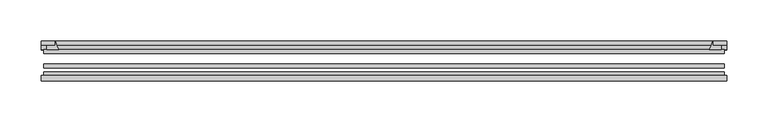
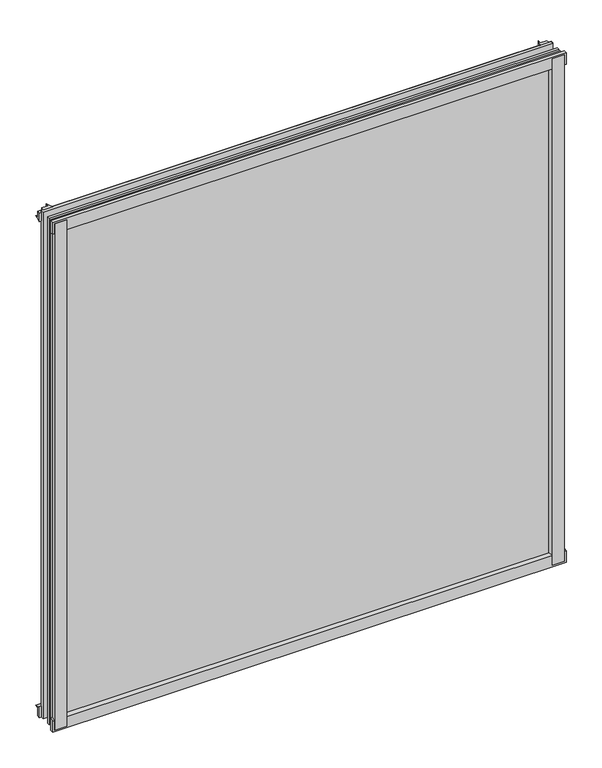
"""IFC4 building model written with IfcOpenShell, lengths in millimetres: plate geometry."""

from ifc_helpers import new_model, si_unit, point, frame, frame_2d, origin, place, context, project, spatial, polyline, circle_curve, trimmed, segment, composite_curve, outline, extrude, source, transform, mapped, element, save


def plate_66a7293b(model_context):
    return source(origin(), model_context, "Body", "SweptSolid", [
        extrude(outline(composite_curve([segment(polyline([(-414.3375, -78.7828625), (-392.9162987, -78.7828625)]), True, "CONTINUOUS"), segment(trimmed(circle_curve(frame_2d((-385.2791331, -84.652782)), 9.6323545), [point((-392.9162987, -78.7828625))], [point((-394.8995165, -85.1328625))], True, "CARTESIAN"), True, "CONTINUOUS"), segment(polyline([(-394.8995165, -85.1328625), (-414.3375, -85.1328625), (-414.3375, -78.7828625)]), True, "CONTINUOUS")], self_intersect=False)), frame((0.0, 0.0, -14.2875), z_axis=(0.0, 0.0, 1.0), x_axis=(1.0, 0.0, 0.0)), (0.0, 0.0, 1.0), 869.95),
        extrude(outline(composite_curve([segment(polyline([(414.3794065, -78.7828625), (414.3794065, -85.1328625), (394.8995165, -85.1328625)]), True, "CONTINUOUS"), segment(trimmed(circle_curve(frame_2d((385.2791331, -84.652782)), 9.6323545), [point((394.8995165, -85.1328625))], [point((392.9162987, -78.7828625))], True, "CARTESIAN"), True, "CONTINUOUS"), segment(polyline([(392.9162987, -78.7828625), (414.3794065, -78.7828625)]), True, "CONTINUOUS")], self_intersect=False)), frame((0.0, 0.0, -14.2875), z_axis=(0.0, 0.0, 1.0), x_axis=(1.0, 0.0, 0.0)), (0.0, 0.0, 1.0), 869.95),
        extrude(outline(composite_curve([segment(polyline([(-47.1852625, -14.2875), (-47.1852625, 3.9588469)]), True, "CONTINUOUS"), segment(trimmed(circle_curve(frame_2d((-30.6824422, 32.267054)), 32.7673262), [point((-47.1852625, 3.9588469))], [point((-36.3503395, -0.00635))], True, "CARTESIAN"), True, "CONTINUOUS"), segment(polyline([(-36.3503395, -0.00635), (-42.2830625, -0.00635), (-42.2830625, -14.2875), (-47.1852625, -14.2875)]), True, "CONTINUOUS")], self_intersect=False)), frame((-417.5125, 0.0, 0.0), z_axis=(1.0, 0.0, 0.0), x_axis=(0.0, 1.0, 0.0)), (0.0, 0.0, 1.0), 835.025),
        extrude(outline(composite_curve([segment(polyline([(-78.7828625, -16.8821065), (-85.1328625, -16.8821065), (-85.1328625, 2.5977835)]), True, "CONTINUOUS"), segment(trimmed(circle_curve(frame_2d((-84.652782, 12.2181669)), 9.6323545), [point((-85.1328625, 2.5977835))], [point((-78.7828625, 4.5810013))], True, "CARTESIAN"), True, "CONTINUOUS"), segment(polyline([(-78.7828625, 4.5810013), (-78.7828625, -16.8821065)]), True, "CONTINUOUS")], self_intersect=False)), frame((-417.5125, 0.0, 0.0), z_axis=(1.0, 0.0, 0.0), x_axis=(0.0, 1.0, 0.0)), (0.0, 0.0, 1.0), 835.025),
        extrude(outline(composite_curve([segment(polyline([(-47.1852625, 837.4034531), (-47.1852625, 852.0752564), (-42.2830625, 852.0752564), (-42.2830625, 841.375), (-36.3140625, 841.375)]), True, "CONTINUOUS"), segment(trimmed(circle_curve(frame_2d((-30.6824422, 809.095246)), 32.7673262), [point((-36.3140625, 841.375))], [point((-47.1852625, 837.4034531))], True, "CARTESIAN"), True, "CONTINUOUS")], self_intersect=False)), frame((-417.5125, 0.0, 0.0), z_axis=(1.0, 0.0, 0.0), x_axis=(0.0, 1.0, 0.0)), (0.0, 0.0, 1.0), 835.025),
        extrude(outline(composite_curve([segment(polyline([(-78.7828625, 858.2444065), (-78.7828625, 836.7812987)]), True, "CONTINUOUS"), segment(trimmed(circle_curve(frame_2d((-84.652782, 829.1441331)), 9.6323545), [point((-78.7828625, 836.7812987))], [point((-85.1328625, 838.7645165))], True, "CARTESIAN"), True, "CONTINUOUS"), segment(polyline([(-85.1328625, 838.7645165), (-85.1328625, 858.2444065), (-78.7828625, 858.2444065)]), True, "CONTINUOUS")], self_intersect=False)), frame((-417.5125, 0.0, 0.0), z_axis=(1.0, 0.0, 0.0), x_axis=(0.0, 1.0, 0.0)), (0.0, 0.0, 1.0), 835.025),
        extrude(outline(composite_curve([segment(trimmed(circle_curve(frame_2d((367.770246, -30.6824422)), 32.7673262), [point((396.0784531, -47.1852625))], [point((400.05, -36.3140625))], True, "CARTESIAN"), True, "CONTINUOUS"), segment(polyline([(400.05, -36.3140625), (400.05, -42.2830625), (410.7503653, -42.2830625), (410.7503653, -47.1852625), (396.0784531, -47.1852625)]), True, "CONTINUOUS")], self_intersect=False)), frame((0.0, 0.0, -14.2875), z_axis=(0.0, 0.0, 1.0), x_axis=(1.0, 0.0, 0.0)), (0.0, 0.0, 1.0), 869.95),
        extrude(outline(composite_curve([segment(polyline([(-396.0784531, -47.1852625), (-410.7452092, -47.1852625), (-410.7452092, -42.2830625), (-400.05, -42.2830625), (-400.05, -36.3140625)]), True, "CONTINUOUS"), segment(trimmed(circle_curve(frame_2d((-367.770246, -30.6824422)), 32.7673262), [point((-400.05, -36.3140625))], [point((-396.0784531, -47.1852625))], True, "CARTESIAN"), True, "CONTINUOUS")], self_intersect=False)), frame((0.0, 0.0, -14.2875), z_axis=(0.0, 0.0, 1.0), x_axis=(1.0, 0.0, 0.0)), (0.0, 0.0, 1.0), 869.95),
        extrude(outline(polyline([(414.3375, -64.6604625), (414.3375, -69.4356625), (-414.3375, -69.4356625), (-414.3375, -64.6604625), (414.3375, -64.6604625)])), frame((0.0, 0.0, -14.2875), z_axis=(0.0, 0.0, 1.0), x_axis=(1.0, 0.0, 0.0)), (0.0, 0.0, 1.0), 869.95),
        extrude(outline(polyline([(-414.3375, -78.7828625), (-414.3375, -74.0076625), (414.3375, -74.0076625), (414.3375, -78.7828625), (-414.3375, -78.7828625)])), frame((0.0, 0.0, -14.2875), z_axis=(0.0, 0.0, 1.0), x_axis=(1.0, 0.0, 0.0)), (0.0, 0.0, 1.0), 869.95),
        extrude(outline(polyline([(-414.3375, -47.1852625), (414.3375, -47.1852625), (414.3375, -51.9604625), (-414.3375, -51.9604625), (-414.3375, -47.1852625)])), frame((0.0, 0.0, -14.2875), z_axis=(0.0, 0.0, 1.0), x_axis=(1.0, 0.0, 0.0)), (0.0, 0.0, 1.0), 869.95),
    ])


if __name__ == "__main__":
    model = new_model("IFC4")
    model_context = context("Model", 3, world=origin())
    ifc_project = project(units=[si_unit("LENGTHUNIT", "METRE", prefix="MILLI")], contexts=[model_context])
    site = spatial("IfcSite", under=ifc_project)
    building = spatial("IfcBuilding", under=site)
    placement = place(None, origin())
    plate_shape = plate_66a7293b(model_context)
    element("IfcPlate", 1, at=placement, inside=building, context=model_context, shape_type="MappedRepresentation", body=[
        mapped(plate_shape, transform((0.0, 0.0, 0.0), x_axis=(1.0, 0.0, 0.0), y_axis=(0.0, 1.0, 0.0), z_axis=(0.0, 0.0, 1.0))),
    ])
    save(model, "model.ifc")
